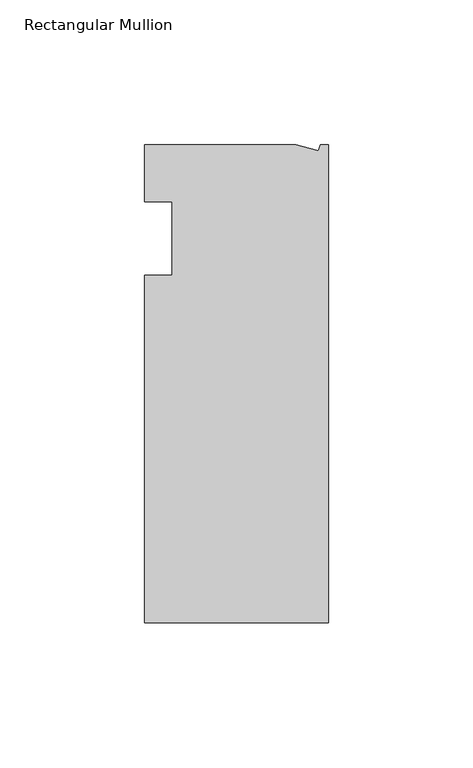
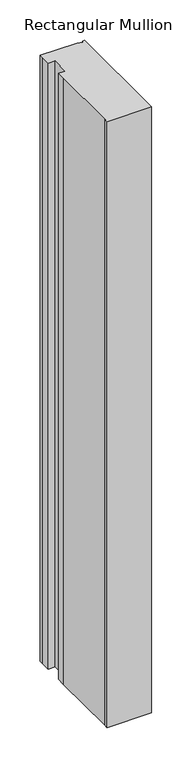
"""IFC4 building model written with IfcOpenShell, lengths in millimetres: member geometry, Rectangular Mullion."""

from ifc_helpers import new_model, si_unit, frame, origin, place, context, project, spatial, polyline, outline, extrude, source, transform, mapped, element, save


def rectangular_mullion_72d40f26(model_context):
    return source(origin(), model_context, "Body", "SweptSolid", [
        extrude(outline(polyline([(-11.1265412, 19.6597595), (-3.3457217, 17.5748952), (-2.787084, 19.6597595), (0.0, 19.6597595), (0.0, -145.4402405), (-63.5, -145.4402405), (-63.5, -139.0912527), (-63.5, -38.3358837), (-63.5, -25.4), (-53.975, -25.4), (-53.975, 0.0), (-63.5, 0.0), (-63.5, 13.6146679), (-63.5, 19.6597595), (-11.1265412, 19.6597595)])), frame((0.0, 0.0, -914.4), z_axis=(0.0, 0.0, 1.0), x_axis=(1.0, 0.0, 0.0)), (0.0, 0.0, 1.0), 914.4),
    ])


if __name__ == "__main__":
    model = new_model("IFC4")
    model_context = context("Model", 3, world=origin())
    ifc_project = project(units=[si_unit("LENGTHUNIT", "METRE", prefix="MILLI")], contexts=[model_context])
    site = spatial("IfcSite", under=ifc_project)
    building = spatial("IfcBuilding", under=site)
    placement = place(None, origin())
    rectangular_mullion_shape = rectangular_mullion_72d40f26(model_context)
    element("IfcMember", 1, ObjectType="Rectangular Mullion", at=placement, inside=building, context=model_context, shape_type="MappedRepresentation", body=[
        mapped(rectangular_mullion_shape, transform((0.0, 0.0, 0.0), x_axis=(1.0, 0.0, 0.0), y_axis=(0.0, 1.0, 0.0), z_axis=(0.0, 0.0, 1.0))),
    ])
    save(model, "model.ifc")
